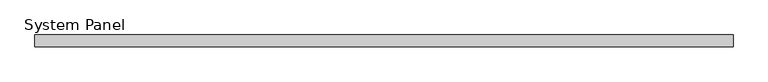
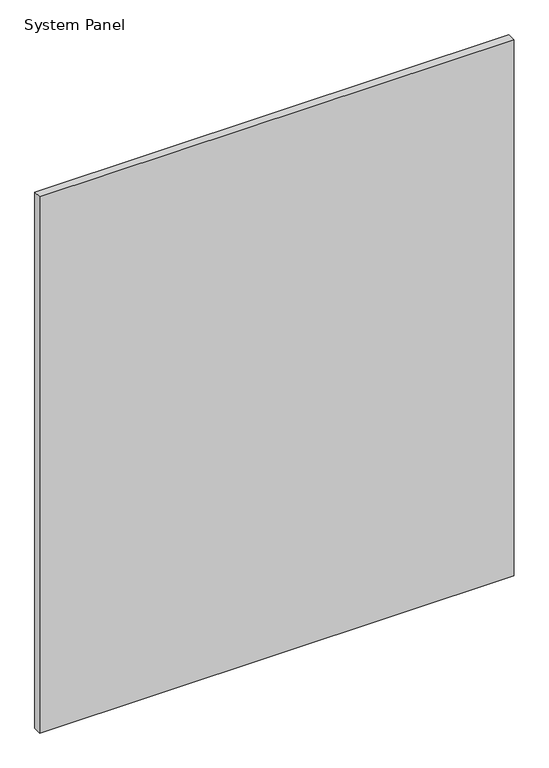
"""IFC4 building model written with IfcOpenShell, lengths in millimetres: plate geometry, System Panel."""

import ifcopenshell
import ifcopenshell.guid

model = None  # the IFC model being written
_history = None  # IfcOwnerHistory: only IFC2X3 demands one
_inside = {}  # id of a spatial element -> (the spatial element, [elements in it])
_under = {}  # id of a project, library or spatial element -> (it, [spatial elements below it])
_declared = {}  # id of a project -> (the project, [libraries it declares])
_typed = {}  # id of a type object -> (the type object, [elements of that type])
_made_of = {}  # id of a material, layer set ... -> (it, [elements and type objects made of it])


def new_model(schema):
    """Start an empty IFC model of exactly this schema.

    Asked for "IFC4X3", IfcOpenShell would pick the latest addendum, in which some entities
    have other attributes; the version numbers below select the first issue.
    IFC2X3 requires an IfcOwnerHistory on every rooted entity: one is made here for all.
    """
    global model, _history
    if schema == "IFC4X3":
        model = ifcopenshell.file(schema_version=(4, 3, 0, 0))
    else:
        model = ifcopenshell.file(schema=schema)
    _inside.clear()
    _under.clear()
    _declared.clear()
    _typed.clear()
    _made_of.clear()
    _history = None
    if model.schema == "IFC2X3":
        org = make("IfcOrganization", Name="unknown")
        user = make(
            "IfcPersonAndOrganization",
            ThePerson=make("IfcPerson", FamilyName="unknown"),
            TheOrganization=org,
        )
        app = make(
            "IfcApplication",
            ApplicationDeveloper=org,
            Version="unknown",
            ApplicationFullName="unknown",
            ApplicationIdentifier="unknown",
        )
        _history = make(
            "IfcOwnerHistory",
            OwningUser=user,
            OwningApplication=app,
            ChangeAction="ADDED",
            CreationDate=0,
        )
    return model


def make(cls, **values):
    """One entity of the class cls with the attributes given. An attribute that is None is left unset."""
    return model.create_entity(
        cls, **{name: value for name, value in values.items() if value is not None}
    )


def rooted(cls, **values):
    """An entity with a GlobalId (a new one), such as an element, a storey or a relation."""
    return make(cls, GlobalId=ifcopenshell.guid.new(), OwnerHistory=_history, **values)


def si_unit(unit_type, name, prefix=None):
    """IfcSIUnit, for example si_unit("LENGTHUNIT", "METRE", prefix="MILLI")."""
    return make("IfcSIUnit", UnitType=unit_type, Prefix=prefix, Name=name)


def assignment(units):
    """IfcUnitAssignment: the units of a project."""
    return None if units is None else make("IfcUnitAssignment", Units=units)


def point(xyz):
    """IfcCartesianPoint."""
    return None if xyz is None else make("IfcCartesianPoint", Coordinates=xyz)


def direction(xyz):
    """IfcDirection."""
    return None if xyz is None else make("IfcDirection", DirectionRatios=xyz)


def frame(location, z_axis=None, x_axis=None):
    """IfcAxis2Placement3D, a coordinate frame: its origin and axes. An axis left out is left unset."""
    return make(
        "IfcAxis2Placement3D",
        Location=point(location),
        Axis=direction(z_axis),
        RefDirection=direction(x_axis),
    )


def origin():
    """The frame at (0, 0, 0) with its axes left unset."""
    return frame((0.0, 0.0, 0.0))


def origin_with_axes():
    """The frame at (0, 0, 0) with the z axis (0, 0, 1) and the x axis (1, 0, 0) written out."""
    return frame((0.0, 0.0, 0.0), z_axis=(0.0, 0.0, 1.0), x_axis=(1.0, 0.0, 0.0))


def place(relative_to, where):
    """IfcLocalPlacement: puts the frame where relative to a parent placement (None: the world)."""
    return make(
        "IfcLocalPlacement", PlacementRelTo=relative_to, RelativePlacement=where
    )


def context(
    kind, dimensions, precision=None, world=None, true_north=None, identifier=None
):
    """IfcGeometricRepresentationContext, for example the 3D "Model" context."""
    return make(
        "IfcGeometricRepresentationContext",
        ContextIdentifier=identifier,
        ContextType=kind,
        CoordinateSpaceDimension=dimensions,
        Precision=precision,
        WorldCoordinateSystem=world,
        TrueNorth=true_north,
    )


def project(units=None, contexts=None):
    """IfcProject with its units and contexts."""
    return rooted(
        "IfcProject",
        Name="project",
        RepresentationContexts=contexts,
        UnitsInContext=assignment(units),
    )


def spatial(cls, under=None, at=None, **own):
    """A site, building, storey or space (cls), placed at a placement, below another one or the project."""
    s = rooted(cls, ObjectPlacement=at, **own)
    if under is not None:
        _under.setdefault(under.id(), (under, []))[1].append(s)
    return s


def polyline(points):
    """IfcPolyline through the points."""
    return make("IfcPolyline", Points=[point(p) for p in points])


def outline(outer, holes=None, kind="AREA"):
    """IfcArbitraryClosedProfileDef: a profile drawn as a closed curve; with holes, ...WithVoids."""
    if holes is None:
        return make("IfcArbitraryClosedProfileDef", ProfileType=kind, OuterCurve=outer)
    return make(
        "IfcArbitraryProfileDefWithVoids",
        ProfileType=kind,
        OuterCurve=outer,
        InnerCurves=holes,
    )


def extrude(swept, where, along, depth):
    """IfcExtrudedAreaSolid: the profile swept, set in the frame where, extruded along a direction by depth."""
    return make(
        "IfcExtrudedAreaSolid",
        SweptArea=swept,
        Position=where,
        ExtrudedDirection=direction(along),
        Depth=depth,
    )


def shape(context_of_items, identifier, shape_type, items):
    """IfcShapeRepresentation: the items that make up one representation, for example the "Body"."""
    return make(
        "IfcShapeRepresentation",
        ContextOfItems=context_of_items,
        RepresentationIdentifier=identifier,
        RepresentationType=shape_type,
        Items=items,
    )


def source(mapping_origin, context_of_items, identifier, shape_type, items):
    """IfcRepresentationMap: a shape defined once, which mapped items show again and again."""
    return make(
        "IfcRepresentationMap",
        MappingOrigin=mapping_origin,
        MappedRepresentation=shape(context_of_items, identifier, shape_type, items),
    )


def transform(
    local_origin,
    x_axis=None,
    y_axis=None,
    z_axis=None,
    scale=None,
    scale2=None,
    scale3=None,
    uniform=True,
):
    """IfcCartesianTransformationOperator3D, or its non-uniform kind. x_axis, y_axis, z_axis: its Axis1, 2, 3."""
    if uniform:
        return make(
            "IfcCartesianTransformationOperator3D",
            Axis1=direction(x_axis),
            Axis2=direction(y_axis),
            LocalOrigin=point(local_origin),
            Scale=scale,
            Axis3=direction(z_axis),
        )
    return make(
        "IfcCartesianTransformationOperator3DnonUniform",
        Axis1=direction(x_axis),
        Axis2=direction(y_axis),
        LocalOrigin=point(local_origin),
        Scale=scale,
        Axis3=direction(z_axis),
        Scale2=scale2,
        Scale3=scale3,
    )


def mapped(mapping_source, mapping_target):
    """IfcMappedItem: shows the shape of a source again, moved by a transform."""
    return make(
        "IfcMappedItem", MappingSource=mapping_source, MappingTarget=mapping_target
    )


def made_of(thing, what):
    """Note that an element or type object is made of a material, layer set ...; save() writes the relation."""
    if what is not None:
        _made_of.setdefault(what.id(), (what, []))[1].append(thing)
    return thing


def element(
    cls,
    number,
    at=None,
    inside=None,
    cuts=None,
    type_object=None,
    material=None,
    context=None,
    identifier="Body",
    shape_type=None,
    held_by="IfcProductDefinitionShape",
    body=None,
    shapes=None,
    **own,
):
    """One element of the class cls, such as IfcWall. Its Tag is "e" and its number.

    at: its placement. inside: the storey or other place that contains it. cuts: it is an
    opening in that element (IfcRelVoidsElement). A single representation is given by context,
    identifier, shape_type and body (its items); several are given by shapes. held_by: the class
    of the entity that holds the representations. save() writes the other relations.
    """
    e = rooted(cls, Tag="e%d" % number, ObjectPlacement=at, **own)
    if body is not None:
        shapes = [shape(context, identifier, shape_type, body)]
    if shapes is not None:
        e.Representation = make(held_by, Representations=shapes)
    if inside is not None:
        _inside.setdefault(inside.id(), (inside, []))[1].append(e)
    if cuts is not None:
        rooted(
            "IfcRelVoidsElement", RelatingBuildingElement=cuts, RelatedOpeningElement=e
        )
    if type_object is not None:
        _typed.setdefault(type_object.id(), (type_object, []))[1].append(e)
    return made_of(e, material)


def aggregate(whole, parts):
    """IfcRelAggregates: a whole, such as a stair, and the parts it consists of."""
    return rooted("IfcRelAggregates", RelatingObject=whole, RelatedObjects=parts)


def save(model, path):
    """Write the relations noted so far, then the file.

    IfcRelAggregates (storeys below a building ...), IfcRelContainedInSpatialStructure (elements
    in a storey), IfcRelDefinesByType, IfcRelAssociatesMaterial and IfcRelDeclares: one each for
    every whole, place, type object, material and project.
    """
    for whole, parts in _under.values():
        aggregate(whole, parts)
    for where, things in _inside.values():
        rooted(
            "IfcRelContainedInSpatialStructure",
            RelatedElements=things,
            RelatingStructure=where,
        )
    for kind, things in _typed.values():
        rooted("IfcRelDefinesByType", RelatedObjects=things, RelatingType=kind)
    for what, things in _made_of.values():
        rooted("IfcRelAssociatesMaterial", RelatedObjects=things, RelatingMaterial=what)
    for by, libraries in _declared.values():
        rooted("IfcRelDeclares", RelatingContext=by, RelatedDefinitions=libraries)
    model.write(path)


def system_panel_b434d78e(model_context):
    return source(origin(), model_context, "Body", "SweptSolid", [
        extrude(outline(polyline([(738.4511624, 44.45), (-738.4511624, 44.45), (-738.4511624, 69.85), (738.4511624, 69.85), (738.4511624, 44.45)])), origin_with_axes(), (0.0, 0.0, 1.0), 1764.8823029),
    ])


if __name__ == "__main__":
    model = new_model("IFC4")
    model_context = context("Model", 3, world=origin())
    ifc_project = project(units=[si_unit("LENGTHUNIT", "METRE", prefix="MILLI")], contexts=[model_context])
    site = spatial("IfcSite", under=ifc_project)
    building = spatial("IfcBuilding", under=site)
    placement = place(None, origin())
    system_panel_shape = system_panel_b434d78e(model_context)
    element("IfcPlate", 1, ObjectType="System Panel", at=placement, inside=building, context=model_context, shape_type="MappedRepresentation", body=[
        mapped(system_panel_shape, transform((0.0, 0.0, 0.0), x_axis=(1.0, 0.0, 0.0), y_axis=(0.0, 1.0, 0.0), z_axis=(0.0, 0.0, 1.0))),
    ])
    save(model, "model.ifc")
